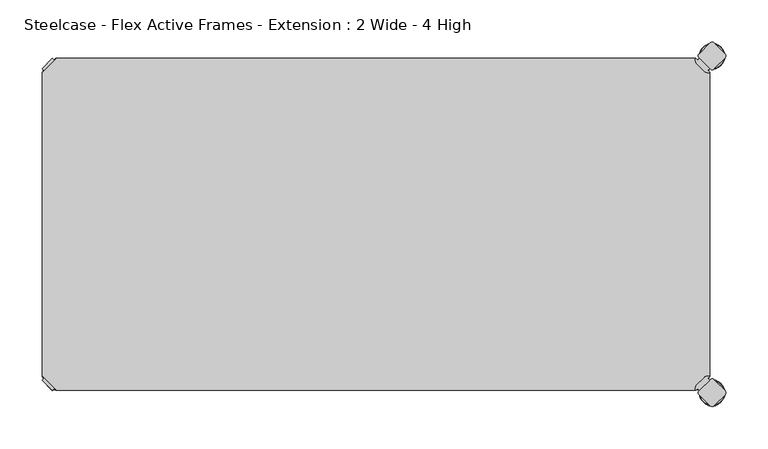
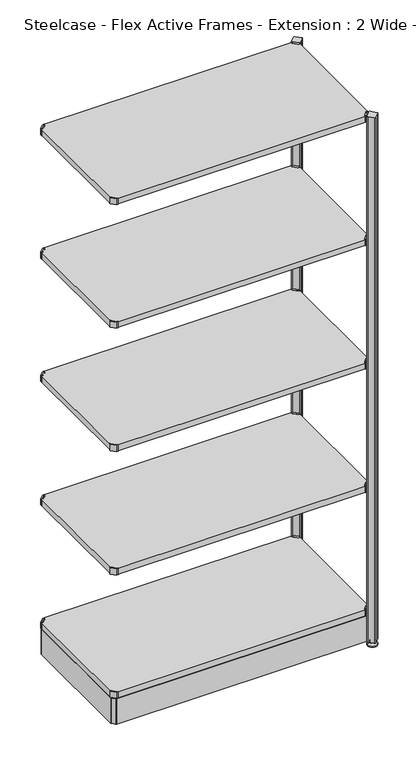
"""IFC4 building model written with IfcOpenShell, lengths in millimetres: furniture geometry, Steelcase - Flex Active Frames - Extension : 2 Wide - 4 High."""

from ifc_helpers import new_model, si_unit, point, frame, frame_2d, origin, place, context, project, spatial, polyline, circle_curve, ellipse_curve, trimmed, segment, composite_curve, outline, extrude, source, transform, mapped, element, save
from ifc_brep_helpers import plane_surface, cylinder_surface, revolved_surface, advanced_brep


def steelcase_flex_active_frames_extension_2_wide_4_high_9b17bbff(model_context):
    return source(origin(), model_context, "Body", "SolidModel", [
        advanced_brep(
        [(795.4995166, -396.9286835, 0.0), (809.4482375, -396.9286835, 0.0), (781.5507958, -396.9286835, 0.0), (810.3951451, -396.9286835, 2.116325), (780.6038882, -396.9286835, 2.116325), (804.2429012, -396.9286835, 8.9997406), (786.7561321, -396.9286835, 8.9997406), (802.9003852, -396.9286835, 8.9997406), (788.0986481, -396.9286835, 8.9997406), (802.9003852, -396.9286835, 12.0919909), (788.0986481, -396.9286835, 12.0919909), (802.3923852, -396.9286835, 12.5999909), (788.6066481, -396.9286835, 12.5999909), (799.518847, -396.9286835, 12.5999909), (791.4801863, -396.9286835, 12.5999909), (799.518847, -396.9286835, 22.7146261), (791.4801863, -396.9286835, 22.7146261), (795.4995166, -396.9286835, 22.7146261)],
        [
            (0, 1),
            (1, 2, circle_curve(frame((795.4995166, -396.9286835, 0.0), z_axis=(0.0, 0.0, -1.0), x_axis=(1.0, 0.0, 0.0)), 13.9487209)),
            (2, 0),
            (2, 1, circle_curve(frame((795.4995166, -396.9286835, 0.0), z_axis=(0.0, 0.0, -1.0), x_axis=(1.0, 0.0, 0.0)), 13.9487209)),
            (1, 3, circle_curve(frame((809.4482375, -396.9286835, 1.27), z_axis=(0.0, -1.0, 0.0), x_axis=(1.0, 0.0, 0.0)), 1.27)),
            (3, 4, circle_curve(frame((795.4995166, -396.9286835, 2.116325), z_axis=(0.0, 0.0, -1.0), x_axis=(1.0, 0.0, 0.0)), 14.8956285)),
            (4, 2, circle_curve(frame((781.5507958, -396.9286835, 1.27), z_axis=(0.0, -1.0, 0.0), x_axis=(-1.0, 0.0, 0.0)), 1.27)),
            (4, 3, circle_curve(frame((795.4995166, -396.9286835, 2.116325), z_axis=(0.0, 0.0, -1.0), x_axis=(1.0, 0.0, 0.0)), 14.8956285)),
            (3, 5),
            (5, 6, circle_curve(frame((795.4995166, -396.9286835, 8.9997406), z_axis=(0.0, 0.0, -1.0), x_axis=(1.0, 0.0, 0.0)), 8.7433846)),
            (6, 4),
            (6, 5, circle_curve(frame((795.4995166, -396.9286835, 8.9997406), z_axis=(0.0, 0.0, -1.0), x_axis=(1.0, 0.0, 0.0)), 8.7433846)),
            (5, 7),
            (7, 8, circle_curve(frame((795.4995166, -396.9286835, 8.9997406), z_axis=(0.0, 0.0, -1.0), x_axis=(1.0, 0.0, 0.0)), 7.4008685)),
            (8, 6),
            (8, 7, circle_curve(frame((795.4995166, -396.9286835, 8.9997406), z_axis=(0.0, 0.0, -1.0), x_axis=(1.0, 0.0, 0.0)), 7.4008685)),
            (7, 9),
            (9, 10, circle_curve(frame((795.4995166, -396.9286835, 12.0919909), z_axis=(0.0, 0.0, -1.0), x_axis=(1.0, 0.0, 0.0)), 7.4008685)),
            (10, 8),
            (10, 9, circle_curve(frame((795.4995166, -396.9286835, 12.0919909), z_axis=(0.0, 0.0, -1.0), x_axis=(1.0, 0.0, 0.0)), 7.4008685)),
            (9, 11, circle_curve(frame((802.3923852, -396.9286835, 12.0919909), z_axis=(0.0, -1.0, 0.0), x_axis=(1.0, 0.0, 0.0)), 0.508)),
            (11, 12, circle_curve(frame((795.4995166, -396.9286835, 12.5999909), z_axis=(0.0, 0.0, -1.0), x_axis=(1.0, 0.0, 0.0)), 6.8928685)),
            (12, 10, circle_curve(frame((788.6066481, -396.9286835, 12.0919909), z_axis=(0.0, -1.0, 0.0), x_axis=(-1.0, 0.0, 0.0)), 0.508)),
            (12, 11, circle_curve(frame((795.4995166, -396.9286835, 12.5999909), z_axis=(0.0, 0.0, -1.0), x_axis=(1.0, 0.0, 0.0)), 6.8928685)),
            (11, 13),
            (13, 14, circle_curve(frame((795.4995166, -396.9286835, 12.5999909), z_axis=(0.0, 0.0, -1.0), x_axis=(1.0, 0.0, 0.0)), 4.0193303)),
            (14, 12),
            (14, 13, circle_curve(frame((795.4995166, -396.9286835, 12.5999909), z_axis=(0.0, 0.0, -1.0), x_axis=(1.0, 0.0, 0.0)), 4.0193303)),
            (13, 15),
            (15, 16, circle_curve(frame((795.4995166, -396.9286835, 22.7146261), z_axis=(0.0, 0.0, -1.0), x_axis=(1.0, 0.0, 0.0)), 4.0193303)),
            (16, 14),
            (16, 15, circle_curve(frame((795.4995166, -396.9286835, 22.7146261), z_axis=(0.0, 0.0, -1.0), x_axis=(1.0, 0.0, 0.0)), 4.0193303)),
            (15, 17),
            (17, 16),
        ],
        [
            plane_surface(frame((795.4995166, -396.9286835, 0.0), z_axis=(0.0, 0.0, -1.0), x_axis=(1.0, 0.0, 0.0))),
            revolved_surface(trimmed(ellipse_curve(frame((809.4482375, -396.9286835, 1.27), z_axis=(0.0, 1.0, 0.0), x_axis=(1.0, 0.0, 0.0)), 1.27, 1.27), [point((810.3951451, -396.9286835, 2.116325))], [point((809.4482375, -396.9286835, 0.0))], True, "CARTESIAN"), (795.4995166, -396.9286835, 32.0514718), (0.0, 0.0, -1.0)),
            revolved_surface(polyline([(804.2429012, -396.9286835, 8.9997406), (810.3951451, -396.9286835, 2.116325)]), (795.4995166, -396.9286835, 32.0514718), (0.0, 0.0, -1.0)),
            plane_surface(frame((795.4995166, -396.9286835, 8.9997406), z_axis=(0.0, 0.0, 1.0), x_axis=(1.0, 0.0, 0.0))),
            cylinder_surface(frame((795.4995166, -396.9286835, 32.0514718), z_axis=(0.0, 0.0, -1.0), x_axis=(1.0, 0.0, 0.0)), 7.4008685),
            revolved_surface(trimmed(ellipse_curve(frame((802.3923852, -396.9286835, 12.0919909), z_axis=(0.0, 1.0, 0.0), x_axis=(1.0, 0.0, 0.0)), 0.508, 0.508), [point((802.3923852, -396.9286835, 12.5999909))], [point((802.9003852, -396.9286835, 12.0919909))], True, "CARTESIAN"), (795.4995166, -396.9286835, 32.0514718), (0.0, 0.0, -1.0)),
            plane_surface(frame((795.4995166, -396.9286835, 12.5999909), z_axis=(0.0, 0.0, 1.0), x_axis=(1.0, 0.0, 0.0))),
            cylinder_surface(frame((795.4995166, -396.9286835, 32.0514718), z_axis=(0.0, 0.0, -1.0), x_axis=(1.0, 0.0, 0.0)), 4.0193303),
            plane_surface(frame((795.4995166, -396.9286835, 22.7146261), z_axis=(0.0, 0.0, 1.0), x_axis=(1.0, 0.0, 0.0))),
        ],
        [
            (0, [[1, 2, 3]]),
            (0, [[-3, 4, -1]]),
            (1, [[-2, 5, 6, 7]]),
            (1, [[-4, -7, 8, -5]]),
            (2, [[-6, 9, 10, 11]]),
            (2, [[-8, -11, 12, -9]]),
            (3, [[-10, 13, 14, 15]]),
            (3, [[-12, -15, 16, -13]]),
            (4, [[-14, 17, 18, 19]]),
            (4, [[-16, -19, 20, -17]]),
            (5, [[-18, 21, 22, 23]]),
            (5, [[-20, -23, 24, -21]]),
            (6, [[-22, 25, 26, 27]]),
            (6, [[-24, -27, 28, -25]]),
            (7, [[-26, 29, 30, 31]]),
            (7, [[-28, -31, 32, -29]]),
            (8, [[-30, 33, 34]]),
            (8, [[-32, -34, -33]]),
        ],
    ),
        advanced_brep(
        [(795.4995166, 2.9246323, 0.0), (781.5507958, 2.9246323, 0.0), (809.4482375, 2.9246323, 0.0), (780.6038882, 2.9246323, 2.116325), (810.3951451, 2.9246323, 2.116325), (786.7561321, 2.9246323, 8.9997406), (804.2429012, 2.9246323, 8.9997406), (788.0986481, 2.9246323, 8.9997406), (802.9003852, 2.9246323, 8.9997406), (788.0986481, 2.9246323, 12.0919909), (802.9003852, 2.9246323, 12.0919909), (788.6066481, 2.9246323, 12.5999909), (802.3923852, 2.9246323, 12.5999909), (791.4801863, 2.9246323, 12.5999909), (799.518847, 2.9246323, 12.5999909), (791.4801863, 2.9246323, 22.7146261), (799.518847, 2.9246323, 22.7146261), (795.4995166, 2.9246323, 22.7146261)],
        [
            (0, 1),
            (1, 2, circle_curve(frame((795.4995166, 2.9246323, 0.0), z_axis=(0.0, 0.0, -1.0), x_axis=(1.0, 0.0, 0.0)), 13.9487209)),
            (2, 0),
            (2, 1, circle_curve(frame((795.4995166, 2.9246323, 0.0), z_axis=(0.0, 0.0, -1.0), x_axis=(1.0, 0.0, 0.0)), 13.9487209)),
            (1, 3, circle_curve(frame((781.5507958, 2.9246323, 1.27), z_axis=(0.0, 1.0, 0.0), x_axis=(-1.0, 0.0, 0.0)), 1.27)),
            (3, 4, circle_curve(frame((795.4995166, 2.9246323, 2.116325), z_axis=(0.0, 0.0, -1.0), x_axis=(1.0, 0.0, 0.0)), 14.8956285)),
            (4, 2, circle_curve(frame((809.4482375, 2.9246323, 1.27), z_axis=(0.0, 1.0, 0.0), x_axis=(1.0, 0.0, 0.0)), 1.27)),
            (4, 3, circle_curve(frame((795.4995166, 2.9246323, 2.116325), z_axis=(0.0, 0.0, -1.0), x_axis=(1.0, 0.0, 0.0)), 14.8956285)),
            (3, 5),
            (5, 6, circle_curve(frame((795.4995166, 2.9246323, 8.9997406), z_axis=(0.0, 0.0, -1.0), x_axis=(1.0, 0.0, 0.0)), 8.7433846)),
            (6, 4),
            (6, 5, circle_curve(frame((795.4995166, 2.9246323, 8.9997406), z_axis=(0.0, 0.0, -1.0), x_axis=(1.0, 0.0, 0.0)), 8.7433846)),
            (5, 7),
            (7, 8, circle_curve(frame((795.4995166, 2.9246323, 8.9997406), z_axis=(0.0, 0.0, -1.0), x_axis=(1.0, 0.0, 0.0)), 7.4008685)),
            (8, 6),
            (8, 7, circle_curve(frame((795.4995166, 2.9246323, 8.9997406), z_axis=(0.0, 0.0, -1.0), x_axis=(1.0, 0.0, 0.0)), 7.4008685)),
            (7, 9),
            (9, 10, circle_curve(frame((795.4995166, 2.9246323, 12.0919909), z_axis=(0.0, 0.0, -1.0), x_axis=(1.0, 0.0, 0.0)), 7.4008685)),
            (10, 8),
            (10, 9, circle_curve(frame((795.4995166, 2.9246323, 12.0919909), z_axis=(0.0, 0.0, -1.0), x_axis=(1.0, 0.0, 0.0)), 7.4008685)),
            (9, 11, circle_curve(frame((788.6066481, 2.9246323, 12.0919909), z_axis=(0.0, 1.0, 0.0), x_axis=(-1.0, 0.0, 0.0)), 0.508)),
            (11, 12, circle_curve(frame((795.4995166, 2.9246323, 12.5999909), z_axis=(0.0, 0.0, -1.0), x_axis=(1.0, 0.0, 0.0)), 6.8928685)),
            (12, 10, circle_curve(frame((802.3923852, 2.9246323, 12.0919909), z_axis=(0.0, 1.0, 0.0), x_axis=(1.0, 0.0, 0.0)), 0.508)),
            (12, 11, circle_curve(frame((795.4995166, 2.9246323, 12.5999909), z_axis=(0.0, 0.0, -1.0), x_axis=(1.0, 0.0, 0.0)), 6.8928685)),
            (11, 13),
            (13, 14, circle_curve(frame((795.4995166, 2.9246323, 12.5999909), z_axis=(0.0, 0.0, -1.0), x_axis=(1.0, 0.0, 0.0)), 4.0193303)),
            (14, 12),
            (14, 13, circle_curve(frame((795.4995166, 2.9246323, 12.5999909), z_axis=(0.0, 0.0, -1.0), x_axis=(1.0, 0.0, 0.0)), 4.0193303)),
            (13, 15),
            (15, 16, circle_curve(frame((795.4995166, 2.9246323, 22.7146261), z_axis=(0.0, 0.0, -1.0), x_axis=(1.0, 0.0, 0.0)), 4.0193303)),
            (16, 14),
            (16, 15, circle_curve(frame((795.4995166, 2.9246323, 22.7146261), z_axis=(0.0, 0.0, -1.0), x_axis=(1.0, 0.0, 0.0)), 4.0193303)),
            (15, 17),
            (17, 16),
        ],
        [
            plane_surface(frame((795.4995166, 2.9246323, 0.0), z_axis=(0.0, 0.0, -1.0), x_axis=(1.0, 0.0, 0.0))),
            revolved_surface(trimmed(ellipse_curve(frame((809.4482375, 2.9246323, 1.27), z_axis=(0.0, 1.0, 0.0), x_axis=(1.0, 0.0, 0.0)), 1.27, 1.27), [point((810.3951451, 2.9246323, 2.116325))], [point((809.4482375, 2.9246323, 0.0))], True, "CARTESIAN"), (795.4995166, 2.9246323, 32.0514718), (0.0, 0.0, -1.0)),
            revolved_surface(polyline([(804.2429012, 2.9246323, 8.9997406), (810.3951451, 2.9246323, 2.116325)]), (795.4995166, 2.9246323, 32.0514718), (0.0, 0.0, -1.0)),
            plane_surface(frame((795.4995166, 2.9246323, 8.9997406), z_axis=(0.0, 0.0, 1.0), x_axis=(1.0, 0.0, 0.0))),
            cylinder_surface(frame((795.4995166, 2.9246323, 32.0514718), z_axis=(0.0, 0.0, -1.0), x_axis=(1.0, 0.0, 0.0)), 7.4008685),
            revolved_surface(trimmed(ellipse_curve(frame((802.3923852, 2.9246323, 12.0919909), z_axis=(0.0, 1.0, 0.0), x_axis=(1.0, 0.0, 0.0)), 0.508, 0.508), [point((802.3923852, 2.9246323, 12.5999909))], [point((802.9003852, 2.9246323, 12.0919909))], True, "CARTESIAN"), (795.4995166, 2.9246323, 32.0514718), (0.0, 0.0, -1.0)),
            plane_surface(frame((795.4995166, 2.9246323, 12.5999909), z_axis=(0.0, 0.0, 1.0), x_axis=(1.0, 0.0, 0.0))),
            cylinder_surface(frame((795.4995166, 2.9246323, 32.0514718), z_axis=(0.0, 0.0, -1.0), x_axis=(1.0, 0.0, 0.0)), 4.0193303),
            plane_surface(frame((795.4995166, 2.9246323, 22.7146261), z_axis=(0.0, 0.0, 1.0), x_axis=(1.0, 0.0, 0.0))),
        ],
        [
            (0, [[1, 2, 3]]),
            (0, [[-3, 4, -1]]),
            (1, [[5, 6, 7, -2]]),
            (1, [[-7, 8, -5, -4]]),
            (2, [[9, 10, 11, -6]]),
            (2, [[-11, 12, -9, -8]]),
            (3, [[13, 14, 15, -10]]),
            (3, [[-15, 16, -13, -12]]),
            (4, [[17, 18, 19, -14]]),
            (4, [[-19, 20, -17, -16]]),
            (5, [[21, 22, 23, -18]]),
            (5, [[-23, 24, -21, -20]]),
            (6, [[25, 26, 27, -22]]),
            (6, [[-27, 28, -25, -24]]),
            (7, [[29, 30, 31, -26]]),
            (7, [[-31, 32, -29, -28]]),
            (8, [[33, 34, -30]]),
            (8, [[-34, -33, -32]]),
        ],
    ),
        extrude(outline(composite_curve([segment(polyline([(778.3364357, -1.93874), (780.4244011, 0.1493247), (792.6187028, -12.044977), (790.530772, -14.1329326), (792.5017057, -16.1038431), (792.4895198, -17.203916), (789.7543812, -16.8384277)]), True, "CONTINUOUS"), segment(trimmed(circle_curve(frame_2d((790.5954366, -10.5443729)), 6.35), [point((789.7543812, -16.8384277))], [point((786.1052784, -15.0344708))], False, "CARTESIAN"), True, "CONTINUOUS"), segment(polyline([(786.1052784, -15.0344708), (777.4359854, -6.3650612)]), True, "CONTINUOUS"), segment(trimmed(circle_curve(frame_2d((781.9261436, -1.8749633)), 6.35), [point((777.4359854, -6.3650612))], [point((775.6321123, -2.7161946))], False, "CARTESIAN"), True, "CONTINUOUS"), segment(polyline([(775.6321123, -2.7161946), (775.26654, 0.0189911), (776.3664729, 0.0311996), (778.3364357, -1.93874)]), True, "CONTINUOUS")], self_intersect=False)), frame((0.0, 0.0, 1696.4822044), z_axis=(0.0, 0.0, 1.0), x_axis=(1.0, 0.0, 0.0)), (0.0, 0.0, 1.0), 20.2281258),
        extrude(outline(composite_curve([segment(polyline([(778.3364357, -392.01526), (776.3664729, -393.9851996), (775.26654, -393.9729911), (775.6321123, -391.2378054)]), True, "CONTINUOUS"), segment(trimmed(circle_curve(frame_2d((781.9261436, -392.0790367)), 6.35), [point((775.6321123, -391.2378054))], [point((777.4359854, -387.5889388))], False, "CARTESIAN"), True, "CONTINUOUS"), segment(polyline([(777.4359854, -387.5889388), (786.1052784, -378.9195292)]), True, "CONTINUOUS"), segment(trimmed(circle_curve(frame_2d((790.5954366, -383.4096271)), 6.35), [point((786.1052784, -378.9195292))], [point((789.7543812, -377.1155723))], False, "CARTESIAN"), True, "CONTINUOUS"), segment(polyline([(789.7543812, -377.1155723), (792.4895198, -376.750084), (792.5017057, -377.8501569), (790.530772, -379.8210674), (792.6187028, -381.909023), (780.4244011, -394.1033247), (778.3364357, -392.01526)]), True, "CONTINUOUS")], self_intersect=False)), frame((0.0, 0.0, 1696.4822044), z_axis=(0.0, 0.0, 1.0), x_axis=(1.0, 0.0, 0.0)), (0.0, 0.0, 1.0), 20.2281258),
        extrude(outline(polyline([(0.0003876, -376.7599914), (0.0003876, -17.1940086), (17.1943962, 0.0), (775.2856038, 0.0), (792.4796124, -17.1940086), (792.4796124, -376.7599914), (775.2856038, -393.954), (17.1943962, -393.954), (0.0003876, -376.7599914)])), frame((0.0, 0.0, 1697.4996811), z_axis=(0.0, 0.0, 1.0), x_axis=(1.0, 0.0, 0.0)), (0.0, 0.0, 1.0), 19.0000031),
        extrude(outline(composite_curve([segment(polyline([(14.1435643, -1.93874), (16.1135271, 0.0311996), (17.21346, 0.0189911), (16.8478877, -2.7161946)]), True, "CONTINUOUS"), segment(trimmed(circle_curve(frame_2d((10.5538564, -1.8749633)), 6.35), [point((16.8478877, -2.7161946))], [point((15.0440146, -6.3650612))], False, "CARTESIAN"), True, "CONTINUOUS"), segment(polyline([(15.0440146, -6.3650612), (6.3747216, -15.0344708)]), True, "CONTINUOUS"), segment(trimmed(circle_curve(frame_2d((1.8845634, -10.5443729)), 6.35), [point((6.3747216, -15.0344708))], [point((2.7256188, -16.8384277))], False, "CARTESIAN"), True, "CONTINUOUS"), segment(polyline([(2.7256188, -16.8384277), (-0.0095198, -17.203916), (-0.0217057, -16.1038431), (1.949228, -14.1329326), (-0.1387028, -12.044977), (12.0555989, 0.1493247), (14.1435643, -1.93874)]), True, "CONTINUOUS")], self_intersect=False)), frame((0.0, 0.0, 1696.4822044), z_axis=(0.0, 0.0, 1.0), x_axis=(1.0, 0.0, 0.0)), (0.0, 0.0, 1.0), 20.2281258),
        extrude(outline(composite_curve([segment(polyline([(14.1435643, -392.01526), (12.0555989, -394.1033247), (-0.1387028, -381.909023), (1.949228, -379.8210674), (-0.0217057, -377.8501569), (-0.0095198, -376.750084), (2.7256188, -377.1155723)]), True, "CONTINUOUS"), segment(trimmed(circle_curve(frame_2d((1.8845634, -383.4096271)), 6.35), [point((2.7256188, -377.1155723))], [point((6.3747216, -378.9195292))], False, "CARTESIAN"), True, "CONTINUOUS"), segment(polyline([(6.3747216, -378.9195292), (15.0440146, -387.5889388)]), True, "CONTINUOUS"), segment(trimmed(circle_curve(frame_2d((10.5538564, -392.0790367)), 6.35), [point((15.0440146, -387.5889388))], [point((16.8478877, -391.2378054))], False, "CARTESIAN"), True, "CONTINUOUS"), segment(polyline([(16.8478877, -391.2378054), (17.21346, -393.9729911), (16.1135271, -393.9851996), (14.1435643, -392.01526)]), True, "CONTINUOUS")], self_intersect=False)), frame((0.0, 0.0, 1696.4822044), z_axis=(0.0, 0.0, 1.0), x_axis=(1.0, 0.0, 0.0)), (0.0, 0.0, 1.0), 20.2281258),
        extrude(outline(composite_curve([segment(polyline([(778.3364357, -1.93874), (780.4244011, 0.1493247), (792.6187028, -12.044977), (790.530772, -14.1329326), (792.5017057, -16.1038431), (792.4895198, -17.203916), (789.7543812, -16.8384277)]), True, "CONTINUOUS"), segment(trimmed(circle_curve(frame_2d((790.5954366, -10.5443729)), 6.35), [point((789.7543812, -16.8384277))], [point((786.1052784, -15.0344708))], False, "CARTESIAN"), True, "CONTINUOUS"), segment(polyline([(786.1052784, -15.0344708), (777.4359854, -6.3650612)]), True, "CONTINUOUS"), segment(trimmed(circle_curve(frame_2d((781.9261436, -1.8749633)), 6.35), [point((777.4359854, -6.3650612))], [point((775.6321123, -2.7161946))], False, "CARTESIAN"), True, "CONTINUOUS"), segment(polyline([(775.6321123, -2.7161946), (775.26654, 0.0189911), (776.3664729, 0.0311996), (778.3364357, -1.93874)]), True, "CONTINUOUS")], self_intersect=False)), frame((0.0, 0.0, 1296.4822014), z_axis=(0.0, 0.0, 1.0), x_axis=(1.0, 0.0, 0.0)), (0.0, 0.0, 1.0), 20.2281258),
        extrude(outline(composite_curve([segment(polyline([(778.3364357, -392.01526), (776.3664729, -393.9851996), (775.26654, -393.9729911), (775.6321123, -391.2378054)]), True, "CONTINUOUS"), segment(trimmed(circle_curve(frame_2d((781.9261436, -392.0790367)), 6.35), [point((775.6321123, -391.2378054))], [point((777.4359854, -387.5889388))], False, "CARTESIAN"), True, "CONTINUOUS"), segment(polyline([(777.4359854, -387.5889388), (786.1052784, -378.9195292)]), True, "CONTINUOUS"), segment(trimmed(circle_curve(frame_2d((790.5954366, -383.4096271)), 6.35), [point((786.1052784, -378.9195292))], [point((789.7543812, -377.1155723))], False, "CARTESIAN"), True, "CONTINUOUS"), segment(polyline([(789.7543812, -377.1155723), (792.4895198, -376.750084), (792.5017057, -377.8501569), (790.530772, -379.8210674), (792.6187028, -381.909023), (780.4244011, -394.1033247), (778.3364357, -392.01526)]), True, "CONTINUOUS")], self_intersect=False)), frame((0.0, 0.0, 1296.4822014), z_axis=(0.0, 0.0, 1.0), x_axis=(1.0, 0.0, 0.0)), (0.0, 0.0, 1.0), 20.2281258),
        extrude(outline(polyline([(0.0003876, -376.7599914), (0.0003876, -17.1940086), (17.1943962, 0.0), (775.2856038, 0.0), (792.4796124, -17.1940086), (792.4796124, -376.7599914), (775.2856038, -393.954), (17.1943962, -393.954), (0.0003876, -376.7599914)])), frame((0.0, 0.0, 1297.499678), z_axis=(0.0, 0.0, 1.0), x_axis=(1.0, 0.0, 0.0)), (0.0, 0.0, 1.0), 19.0000031),
        extrude(outline(composite_curve([segment(polyline([(14.1435643, -1.93874), (16.1135271, 0.0311996), (17.21346, 0.0189911), (16.8478877, -2.7161946)]), True, "CONTINUOUS"), segment(trimmed(circle_curve(frame_2d((10.5538564, -1.8749633)), 6.35), [point((16.8478877, -2.7161946))], [point((15.0440146, -6.3650612))], False, "CARTESIAN"), True, "CONTINUOUS"), segment(polyline([(15.0440146, -6.3650612), (6.3747216, -15.0344708)]), True, "CONTINUOUS"), segment(trimmed(circle_curve(frame_2d((1.8845634, -10.5443729)), 6.35), [point((6.3747216, -15.0344708))], [point((2.7256188, -16.8384277))], False, "CARTESIAN"), True, "CONTINUOUS"), segment(polyline([(2.7256188, -16.8384277), (-0.0095198, -17.203916), (-0.0217057, -16.1038431), (1.949228, -14.1329326), (-0.1387028, -12.044977), (12.0555989, 0.1493247), (14.1435643, -1.93874)]), True, "CONTINUOUS")], self_intersect=False)), frame((0.0, 0.0, 1296.4822014), z_axis=(0.0, 0.0, 1.0), x_axis=(1.0, 0.0, 0.0)), (0.0, 0.0, 1.0), 20.2281258),
        extrude(outline(composite_curve([segment(polyline([(14.1435643, -392.01526), (12.0555989, -394.1033247), (-0.1387028, -381.909023), (1.949228, -379.8210674), (-0.0217057, -377.8501569), (-0.0095198, -376.750084), (2.7256188, -377.1155723)]), True, "CONTINUOUS"), segment(trimmed(circle_curve(frame_2d((1.8845634, -383.4096271)), 6.35), [point((2.7256188, -377.1155723))], [point((6.3747216, -378.9195292))], False, "CARTESIAN"), True, "CONTINUOUS"), segment(polyline([(6.3747216, -378.9195292), (15.0440146, -387.5889388)]), True, "CONTINUOUS"), segment(trimmed(circle_curve(frame_2d((10.5538564, -392.0790367)), 6.35), [point((15.0440146, -387.5889388))], [point((16.8478877, -391.2378054))], False, "CARTESIAN"), True, "CONTINUOUS"), segment(polyline([(16.8478877, -391.2378054), (17.21346, -393.9729911), (16.1135271, -393.9851996), (14.1435643, -392.01526)]), True, "CONTINUOUS")], self_intersect=False)), frame((0.0, 0.0, 1296.4822014), z_axis=(0.0, 0.0, 1.0), x_axis=(1.0, 0.0, 0.0)), (0.0, 0.0, 1.0), 20.2281258),
        extrude(outline(composite_curve([segment(polyline([(778.3364357, -1.93874), (780.4244011, 0.1493247), (792.6187028, -12.044977), (790.530772, -14.1329326), (792.5017057, -16.1038431), (792.4895198, -17.203916), (789.7543812, -16.8384277)]), True, "CONTINUOUS"), segment(trimmed(circle_curve(frame_2d((790.5954366, -10.5443729)), 6.35), [point((789.7543812, -16.8384277))], [point((786.1052784, -15.0344708))], False, "CARTESIAN"), True, "CONTINUOUS"), segment(polyline([(786.1052784, -15.0344708), (777.4359854, -6.3650612)]), True, "CONTINUOUS"), segment(trimmed(circle_curve(frame_2d((781.9261436, -1.8749633)), 6.35), [point((777.4359854, -6.3650612))], [point((775.6321123, -2.7161946))], False, "CARTESIAN"), True, "CONTINUOUS"), segment(polyline([(775.6321123, -2.7161946), (775.26654, 0.0189911), (776.3664729, 0.0311996), (778.3364357, -1.93874)]), True, "CONTINUOUS")], self_intersect=False)), frame((0.0, 0.0, 896.4822952), z_axis=(0.0, 0.0, 1.0), x_axis=(1.0, 0.0, 0.0)), (0.0, 0.0, 1.0), 20.2281258),
        extrude(outline(composite_curve([segment(polyline([(778.3364357, -392.01526), (776.3664729, -393.9851996), (775.26654, -393.9729911), (775.6321123, -391.2378054)]), True, "CONTINUOUS"), segment(trimmed(circle_curve(frame_2d((781.9261436, -392.0790367)), 6.35), [point((775.6321123, -391.2378054))], [point((777.4359854, -387.5889388))], False, "CARTESIAN"), True, "CONTINUOUS"), segment(polyline([(777.4359854, -387.5889388), (786.1052784, -378.9195292)]), True, "CONTINUOUS"), segment(trimmed(circle_curve(frame_2d((790.5954366, -383.4096271)), 6.35), [point((786.1052784, -378.9195292))], [point((789.7543812, -377.1155723))], False, "CARTESIAN"), True, "CONTINUOUS"), segment(polyline([(789.7543812, -377.1155723), (792.4895198, -376.750084), (792.5017057, -377.8501569), (790.530772, -379.8210674), (792.6187028, -381.909023), (780.4244011, -394.1033247), (778.3364357, -392.01526)]), True, "CONTINUOUS")], self_intersect=False)), frame((0.0, 0.0, 896.4822952), z_axis=(0.0, 0.0, 1.0), x_axis=(1.0, 0.0, 0.0)), (0.0, 0.0, 1.0), 20.2281258),
        extrude(outline(composite_curve([segment(polyline([(778.3364357, -1.93874), (780.4244011, 0.1493247), (792.6187028, -12.044977), (790.530772, -14.1329326), (792.5017057, -16.1038431), (792.4895198, -17.203916), (789.7543812, -16.8384277)]), True, "CONTINUOUS"), segment(trimmed(circle_curve(frame_2d((790.5954366, -10.5443729)), 6.35), [point((789.7543812, -16.8384277))], [point((786.1052784, -15.0344708))], False, "CARTESIAN"), True, "CONTINUOUS"), segment(polyline([(786.1052784, -15.0344708), (777.4359854, -6.3650612)]), True, "CONTINUOUS"), segment(trimmed(circle_curve(frame_2d((781.9261436, -1.8749633)), 6.35), [point((777.4359854, -6.3650612))], [point((775.6321123, -2.7161946))], False, "CARTESIAN"), True, "CONTINUOUS"), segment(polyline([(775.6321123, -2.7161946), (775.26654, 0.0189911), (776.3664729, 0.0311996), (778.3364357, -1.93874)]), True, "CONTINUOUS")], self_intersect=False)), frame((0.0, 0.0, 496.4821468), z_axis=(0.0, 0.0, 1.0), x_axis=(1.0, 0.0, 0.0)), (0.0, 0.0, 1.0), 20.2281258),
        extrude(outline(composite_curve([segment(polyline([(778.3364357, -392.01526), (776.3664729, -393.9851996), (775.26654, -393.9729911), (775.6321123, -391.2378054)]), True, "CONTINUOUS"), segment(trimmed(circle_curve(frame_2d((781.9261436, -392.0790367)), 6.35), [point((775.6321123, -391.2378054))], [point((777.4359854, -387.5889388))], False, "CARTESIAN"), True, "CONTINUOUS"), segment(polyline([(777.4359854, -387.5889388), (786.1052784, -378.9195292)]), True, "CONTINUOUS"), segment(trimmed(circle_curve(frame_2d((790.5954366, -383.4096271)), 6.35), [point((786.1052784, -378.9195292))], [point((789.7543812, -377.1155723))], False, "CARTESIAN"), True, "CONTINUOUS"), segment(polyline([(789.7543812, -377.1155723), (792.4895198, -376.750084), (792.5017057, -377.8501569), (790.530772, -379.8210674), (792.6187028, -381.909023), (780.4244011, -394.1033247), (778.3364357, -392.01526)]), True, "CONTINUOUS")], self_intersect=False)), frame((0.0, 0.0, 496.4821468), z_axis=(0.0, 0.0, 1.0), x_axis=(1.0, 0.0, 0.0)), (0.0, 0.0, 1.0), 20.2281258),
        extrude(outline(composite_curve([segment(polyline([(778.3364357, -1.93874), (780.4244011, 0.1493247), (792.6187028, -12.044977), (790.530772, -14.1329326), (792.5017057, -16.1038431), (792.4895198, -17.203916), (789.7543812, -16.8384277)]), True, "CONTINUOUS"), segment(trimmed(circle_curve(frame_2d((790.5954366, -10.5443729)), 6.35), [point((789.7543812, -16.8384277))], [point((786.1052784, -15.0344708))], False, "CARTESIAN"), True, "CONTINUOUS"), segment(polyline([(786.1052784, -15.0344708), (777.4359854, -6.3650612)]), True, "CONTINUOUS"), segment(trimmed(circle_curve(frame_2d((781.9261436, -1.8749633)), 6.35), [point((777.4359854, -6.3650612))], [point((775.6321123, -2.7161946))], False, "CARTESIAN"), True, "CONTINUOUS"), segment(polyline([(775.6321123, -2.7161946), (775.26654, 0.0189911), (776.3664729, 0.0311996), (778.3364357, -1.93874)]), True, "CONTINUOUS")], self_intersect=False)), frame((0.0, 0.0, 96.4824829), z_axis=(0.0, 0.0, 1.0), x_axis=(1.0, 0.0, 0.0)), (0.0, 0.0, 1.0), 20.2281258),
        extrude(outline(composite_curve([segment(polyline([(778.3364357, -392.01526), (776.3664729, -393.9851996), (775.26654, -393.9729911), (775.6321123, -391.2378054)]), True, "CONTINUOUS"), segment(trimmed(circle_curve(frame_2d((781.9261436, -392.0790367)), 6.35), [point((775.6321123, -391.2378054))], [point((777.4359854, -387.5889388))], False, "CARTESIAN"), True, "CONTINUOUS"), segment(polyline([(777.4359854, -387.5889388), (786.1052784, -378.9195292)]), True, "CONTINUOUS"), segment(trimmed(circle_curve(frame_2d((790.5954366, -383.4096271)), 6.35), [point((786.1052784, -378.9195292))], [point((789.7543812, -377.1155723))], False, "CARTESIAN"), True, "CONTINUOUS"), segment(polyline([(789.7543812, -377.1155723), (792.4895198, -376.750084), (792.5017057, -377.8501569), (790.530772, -379.8210674), (792.6187028, -381.909023), (780.4244011, -394.1033247), (778.3364357, -392.01526)]), True, "CONTINUOUS")], self_intersect=False)), frame((0.0, 0.0, 96.4824829), z_axis=(0.0, 0.0, 1.0), x_axis=(1.0, 0.0, 0.0)), (0.0, 0.0, 1.0), 20.2281258),
        extrude(outline(composite_curve([segment(trimmed(circle_curve(frame_2d((808.8538021, 2.9983545)), 3.048), [point((811.0090767, 5.1536029))], [point((811.0090505, 0.8430799))], False, "CARTESIAN"), True, "CONTINUOUS"), segment(polyline([(811.0090505, 0.8430799), (797.6462856, -12.5195224)]), True, "CONTINUOUS"), segment(trimmed(circle_curve(frame_2d((795.4910373, -10.3642478)), 3.048), [point((797.6462856, -12.5195224))], [point((793.3357649, -12.5194983))], False, "CARTESIAN"), True, "CONTINUOUS"), segment(polyline([(793.3357649, -12.5194983), (779.9732856, 0.8431164)]), True, "CONTINUOUS"), segment(trimmed(circle_curve(frame_2d((782.128558, 2.998367)), 3.048), [point((779.9732856, 0.8431164))], [point((779.9732965, 5.1536284))], False, "CARTESIAN"), True, "CONTINUOUS"), segment(polyline([(779.9732965, 5.1536284), (793.3359936, 18.5163256)]), True, "CONTINUOUS"), segment(trimmed(circle_curve(frame_2d((795.4912551, 16.3610641)), 3.048), [point((793.3359936, 18.5163256))], [point((797.6465297, 18.5163124))], False, "CARTESIAN"), True, "CONTINUOUS"), segment(polyline([(797.6465297, 18.5163124), (811.0090767, 5.1536029)]), True, "CONTINUOUS")], self_intersect=False)), frame((0.0, 0.0, 12.5999909), z_axis=(0.0, 0.0, 1.0), x_axis=(1.0, 0.0, 0.0)), (0.0, 0.0, 1.0), 1703.9320091),
        extrude(outline(composite_curve([segment(polyline([(811.0090767, -399.1076029), (797.6465297, -412.4703124)]), True, "CONTINUOUS"), segment(trimmed(circle_curve(frame_2d((795.4912551, -410.3150641)), 3.048), [point((797.6465297, -412.4703124))], [point((793.3359936, -412.4703256))], False, "CARTESIAN"), True, "CONTINUOUS"), segment(polyline([(793.3359936, -412.4703256), (779.9732965, -399.1076284)]), True, "CONTINUOUS"), segment(trimmed(circle_curve(frame_2d((782.128558, -396.952367)), 3.048), [point((779.9732965, -399.1076284))], [point((779.9732856, -394.7971164))], False, "CARTESIAN"), True, "CONTINUOUS"), segment(polyline([(779.9732856, -394.7971164), (793.3357649, -381.4345017)]), True, "CONTINUOUS"), segment(trimmed(circle_curve(frame_2d((795.4910373, -383.5897522)), 3.048), [point((793.3357649, -381.4345017))], [point((797.6462856, -381.4344776))], False, "CARTESIAN"), True, "CONTINUOUS"), segment(polyline([(797.6462856, -381.4344776), (811.0090505, -394.7970799)]), True, "CONTINUOUS"), segment(trimmed(circle_curve(frame_2d((808.8538021, -396.9523545)), 3.048), [point((811.0090505, -394.7970799))], [point((811.0090767, -399.1076029))], False, "CARTESIAN"), True, "CONTINUOUS")], self_intersect=False)), frame((0.0, 0.0, 12.5999909), z_axis=(0.0, 0.0, 1.0), x_axis=(1.0, 0.0, 0.0)), (0.0, 0.0, 1.0), 1703.9320091),
        extrude(outline(polyline([(0.0003876, -376.7599914), (0.0003876, -17.1940086), (17.1943962, 0.0), (775.2856038, 0.0), (792.4796124, -17.1940086), (792.4796124, -376.7599914), (775.2856038, -393.954), (17.1943962, -393.954), (0.0003876, -376.7599914)])), frame((0.0, 0.0, 97.4999596), z_axis=(0.0, 0.0, 1.0), x_axis=(1.0, 0.0, 0.0)), (0.0, 0.0, 1.0), 19.0000031),
        extrude(outline(composite_curve([segment(polyline([(14.1435643, -1.93874), (16.1135271, 0.0311996), (17.21346, 0.0189911), (16.8478877, -2.7161946)]), True, "CONTINUOUS"), segment(trimmed(circle_curve(frame_2d((10.5538564, -1.8749633)), 6.35), [point((16.8478877, -2.7161946))], [point((15.0440146, -6.3650612))], False, "CARTESIAN"), True, "CONTINUOUS"), segment(polyline([(15.0440146, -6.3650612), (6.3747216, -15.0344708)]), True, "CONTINUOUS"), segment(trimmed(circle_curve(frame_2d((1.8845634, -10.5443729)), 6.35), [point((6.3747216, -15.0344708))], [point((2.7256188, -16.8384277))], False, "CARTESIAN"), True, "CONTINUOUS"), segment(polyline([(2.7256188, -16.8384277), (-0.0095198, -17.203916), (-0.0217057, -16.1038431), (1.949228, -14.1329326), (-0.1387028, -12.044977), (12.0555989, 0.1493247), (14.1435643, -1.93874)]), True, "CONTINUOUS")], self_intersect=False)), frame((0.0, 0.0, 96.4824829), z_axis=(0.0, 0.0, 1.0), x_axis=(1.0, 0.0, 0.0)), (0.0, 0.0, 1.0), 20.2281258),
        extrude(outline(composite_curve([segment(polyline([(14.1435643, -392.01526), (12.0555989, -394.1033247), (-0.1387028, -381.909023), (1.949228, -379.8210674), (-0.0217057, -377.8501569), (-0.0095198, -376.750084), (2.7256188, -377.1155723)]), True, "CONTINUOUS"), segment(trimmed(circle_curve(frame_2d((1.8845634, -383.4096271)), 6.35), [point((2.7256188, -377.1155723))], [point((6.3747216, -378.9195292))], False, "CARTESIAN"), True, "CONTINUOUS"), segment(polyline([(6.3747216, -378.9195292), (15.0440146, -387.5889388)]), True, "CONTINUOUS"), segment(trimmed(circle_curve(frame_2d((10.5538564, -392.0790367)), 6.35), [point((15.0440146, -387.5889388))], [point((16.8478877, -391.2378054))], False, "CARTESIAN"), True, "CONTINUOUS"), segment(polyline([(16.8478877, -391.2378054), (17.21346, -393.9729911), (16.1135271, -393.9851996), (14.1435643, -392.01526)]), True, "CONTINUOUS")], self_intersect=False)), frame((0.0, 0.0, 96.4824829), z_axis=(0.0, 0.0, 1.0), x_axis=(1.0, 0.0, 0.0)), (0.0, 0.0, 1.0), 20.2281258),
        extrude(outline(polyline([(0.0003876, -376.7599914), (0.0003876, -17.1940086), (17.1943962, 0.0), (775.2856038, 0.0), (792.4796124, -17.1940086), (792.4796124, -376.7599914), (775.2856038, -393.954), (17.1943962, -393.954), (0.0003876, -376.7599914)])), frame((0.0, 0.0, 497.4996235), z_axis=(0.0, 0.0, 1.0), x_axis=(1.0, 0.0, 0.0)), (0.0, 0.0, 1.0), 19.0000031),
        extrude(outline(composite_curve([segment(polyline([(14.1435643, -1.93874), (16.1135271, 0.0311996), (17.21346, 0.0189911), (16.8478877, -2.7161946)]), True, "CONTINUOUS"), segment(trimmed(circle_curve(frame_2d((10.5538564, -1.8749633)), 6.35), [point((16.8478877, -2.7161946))], [point((15.0440146, -6.3650612))], False, "CARTESIAN"), True, "CONTINUOUS"), segment(polyline([(15.0440146, -6.3650612), (6.3747216, -15.0344708)]), True, "CONTINUOUS"), segment(trimmed(circle_curve(frame_2d((1.8845634, -10.5443729)), 6.35), [point((6.3747216, -15.0344708))], [point((2.7256188, -16.8384277))], False, "CARTESIAN"), True, "CONTINUOUS"), segment(polyline([(2.7256188, -16.8384277), (-0.0095198, -17.203916), (-0.0217057, -16.1038431), (1.949228, -14.1329326), (-0.1387028, -12.044977), (12.0555989, 0.1493247), (14.1435643, -1.93874)]), True, "CONTINUOUS")], self_intersect=False)), frame((0.0, 0.0, 496.4821468), z_axis=(0.0, 0.0, 1.0), x_axis=(1.0, 0.0, 0.0)), (0.0, 0.0, 1.0), 20.2281258),
        extrude(outline(composite_curve([segment(polyline([(14.1435643, -392.01526), (12.0555989, -394.1033247), (-0.1387028, -381.909023), (1.949228, -379.8210674), (-0.0217057, -377.8501569), (-0.0095198, -376.750084), (2.7256188, -377.1155723)]), True, "CONTINUOUS"), segment(trimmed(circle_curve(frame_2d((1.8845634, -383.4096271)), 6.35), [point((2.7256188, -377.1155723))], [point((6.3747216, -378.9195292))], False, "CARTESIAN"), True, "CONTINUOUS"), segment(polyline([(6.3747216, -378.9195292), (15.0440146, -387.5889388)]), True, "CONTINUOUS"), segment(trimmed(circle_curve(frame_2d((10.5538564, -392.0790367)), 6.35), [point((15.0440146, -387.5889388))], [point((16.8478877, -391.2378054))], False, "CARTESIAN"), True, "CONTINUOUS"), segment(polyline([(16.8478877, -391.2378054), (17.21346, -393.9729911), (16.1135271, -393.9851996), (14.1435643, -392.01526)]), True, "CONTINUOUS")], self_intersect=False)), frame((0.0, 0.0, 496.4821468), z_axis=(0.0, 0.0, 1.0), x_axis=(1.0, 0.0, 0.0)), (0.0, 0.0, 1.0), 20.2281258),
        extrude(outline(polyline([(0.0003876, -376.7599914), (0.0003876, -17.1940086), (17.1943962, 0.0), (775.2856038, 0.0), (792.4796124, -17.1940086), (792.4796124, -376.7599914), (775.2856038, -393.954), (17.1943962, -393.954), (0.0003876, -376.7599914)])), frame((0.0, 0.0, 897.4997719), z_axis=(0.0, 0.0, 1.0), x_axis=(1.0, 0.0, 0.0)), (0.0, 0.0, 1.0), 19.0000031),
        extrude(outline(composite_curve([segment(polyline([(14.1435643, -1.93874), (16.1135271, 0.0311996), (17.21346, 0.0189911), (16.8478877, -2.7161946)]), True, "CONTINUOUS"), segment(trimmed(circle_curve(frame_2d((10.5538564, -1.8749633)), 6.35), [point((16.8478877, -2.7161946))], [point((15.0440146, -6.3650612))], False, "CARTESIAN"), True, "CONTINUOUS"), segment(polyline([(15.0440146, -6.3650612), (6.3747216, -15.0344708)]), True, "CONTINUOUS"), segment(trimmed(circle_curve(frame_2d((1.8845634, -10.5443729)), 6.35), [point((6.3747216, -15.0344708))], [point((2.7256188, -16.8384277))], False, "CARTESIAN"), True, "CONTINUOUS"), segment(polyline([(2.7256188, -16.8384277), (-0.0095198, -17.203916), (-0.0217057, -16.1038431), (1.949228, -14.1329326), (-0.1387028, -12.044977), (12.0555989, 0.1493247), (14.1435643, -1.93874)]), True, "CONTINUOUS")], self_intersect=False)), frame((0.0, 0.0, 896.4822952), z_axis=(0.0, 0.0, 1.0), x_axis=(1.0, 0.0, 0.0)), (0.0, 0.0, 1.0), 20.2281258),
        extrude(outline(composite_curve([segment(polyline([(14.1435643, -392.01526), (12.0555989, -394.1033247), (-0.1387028, -381.909023), (1.949228, -379.8210674), (-0.0217057, -377.8501569), (-0.0095198, -376.750084), (2.7256188, -377.1155723)]), True, "CONTINUOUS"), segment(trimmed(circle_curve(frame_2d((1.8845634, -383.4096271)), 6.35), [point((2.7256188, -377.1155723))], [point((6.3747216, -378.9195292))], False, "CARTESIAN"), True, "CONTINUOUS"), segment(polyline([(6.3747216, -378.9195292), (15.0440146, -387.5889388)]), True, "CONTINUOUS"), segment(trimmed(circle_curve(frame_2d((10.5538564, -392.0790367)), 6.35), [point((15.0440146, -387.5889388))], [point((16.8478877, -391.2378054))], False, "CARTESIAN"), True, "CONTINUOUS"), segment(polyline([(16.8478877, -391.2378054), (17.21346, -393.9729911), (16.1135271, -393.9851996), (14.1435643, -392.01526)]), True, "CONTINUOUS")], self_intersect=False)), frame((0.0, 0.0, 896.4822952), z_axis=(0.0, 0.0, 1.0), x_axis=(1.0, 0.0, 0.0)), (0.0, 0.0, 1.0), 20.2281258),
        extrude(outline(composite_curve([segment(polyline([(12.155908, -1.0018273), (780.3465262, -1.0019264)]), True, "CONTINUOUS"), segment(trimmed(circle_curve(frame_2d((780.3240926, -3.5418273)), 2.54), [point((780.3465262, -1.0019264))], [point((782.1201439, -1.7457761))], False, "CARTESIAN"), True, "CONTINUOUS"), segment(polyline([(782.1201439, -1.7457761), (790.7284839, -10.3541161)]), True, "CONTINUOUS"), segment(trimmed(circle_curve(frame_2d((788.9324327, -12.1501673)), 2.54), [point((790.7284839, -10.3541161))], [point((791.4724327, -12.1501687))], False, "CARTESIAN"), True, "CONTINUOUS"), segment(polyline([(791.4724327, -12.1501687), (791.4722349, -381.8355295)]), True, "CONTINUOUS"), segment(trimmed(circle_curve(frame_2d((788.9324327, -381.8038327)), 2.54), [point((791.4722349, -381.8355295))], [point((790.7284839, -383.5998839))], False, "CARTESIAN"), True, "CONTINUOUS"), segment(polyline([(790.7284839, -383.5998839), (782.1201439, -392.2082239)]), True, "CONTINUOUS"), segment(trimmed(circle_curve(frame_2d((780.3240926, -390.4121727)), 2.54), [point((782.1201439, -392.2082239))], [point((780.3465262, -392.9520736))], False, "CARTESIAN"), True, "CONTINUOUS"), segment(polyline([(780.3465262, -392.9520736), (12.155908, -392.9521727)]), True, "CONTINUOUS"), segment(trimmed(circle_curve(frame_2d((12.1559074, -390.4121727)), 2.54), [point((12.155908, -392.9521727))], [point((10.3598561, -392.2082239))], False, "CARTESIAN"), True, "CONTINUOUS"), segment(polyline([(10.3598561, -392.2082239), (1.7515161, -383.5998839)]), True, "CONTINUOUS"), segment(trimmed(circle_curve(frame_2d((3.5475673, -381.8038327)), 2.54), [point((1.7515161, -383.5998839))], [point((1.0077651, -381.8355295))], False, "CARTESIAN"), True, "CONTINUOUS"), segment(polyline([(1.0077651, -381.8355295), (1.0075673, -12.1501687)]), True, "CONTINUOUS"), segment(trimmed(circle_curve(frame_2d((3.5475673, -12.1501673)), 2.54), [point((1.0075673, -12.1501687))], [point((1.7515161, -10.3541161))], False, "CARTESIAN"), True, "CONTINUOUS"), segment(polyline([(1.7515161, -10.3541161), (10.3598561, -1.7457761)]), True, "CONTINUOUS"), segment(trimmed(circle_curve(frame_2d((12.1559074, -3.5418273)), 2.54), [point((10.3598561, -1.7457761))], [point((12.155908, -1.0018273))], False, "CARTESIAN"), True, "CONTINUOUS")], self_intersect=False)), frame((0.0, 0.0, 12.5999909), z_axis=(0.0, 0.0, 1.0), x_axis=(1.0, 0.0, 0.0)), (0.0, 0.0, 1.0), 82.39977),
    ])


if __name__ == "__main__":
    model = new_model("IFC4")
    model_context = context("Model", 3, world=origin())
    ifc_project = project(units=[si_unit("LENGTHUNIT", "METRE", prefix="MILLI")], contexts=[model_context])
    site = spatial("IfcSite", under=ifc_project)
    building = spatial("IfcBuilding", under=site)
    placement = place(None, origin())
    steelcase_flex_active_frames_extension_2_wide_4_high_shape = steelcase_flex_active_frames_extension_2_wide_4_high_9b17bbff(model_context)
    element("IfcFurniture", 1, ObjectType="Steelcase - Flex Active Frames - Extension : 2 Wide - 4 High", at=placement, inside=building, context=model_context, shape_type="MappedRepresentation", body=[
        mapped(steelcase_flex_active_frames_extension_2_wide_4_high_shape, transform((0.0, 0.0, 0.0), x_axis=(1.0, 0.0, 0.0), y_axis=(0.0, 1.0, 0.0), z_axis=(0.0, 0.0, 1.0))),
    ])
    save(model, "model.ifc")
